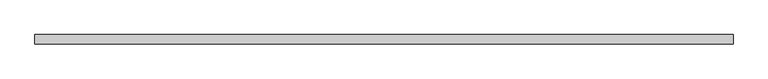
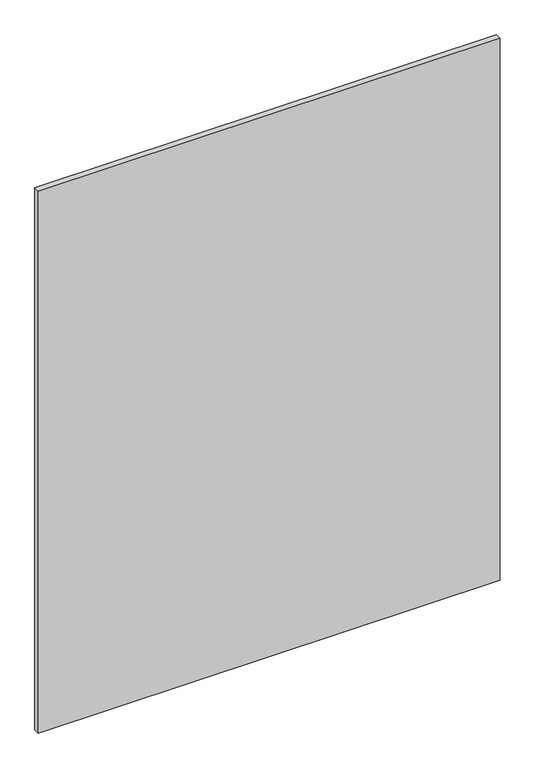
"""IFC4 building model written with IfcOpenShell, lengths in millimetres: plate geometry."""

from ifc_helpers import new_model, si_unit, origin, origin_with_axes, place, context, project, spatial, polyline, outline, extrude, source, transform, mapped, element, save


def plate_977dbb49(model_context):
    return source(origin(), model_context, "Body", "SweptSolid", [
        extrude(outline(polyline([(710.008245, -9.525), (-710.008245, -9.525), (-710.008245, 9.525), (710.008245, 9.525), (710.008245, -9.525)])), origin_with_axes(), (0.0, 0.0, 1.0), 1761.3),
    ])


if __name__ == "__main__":
    model = new_model("IFC4")
    model_context = context("Model", 3, world=origin())
    ifc_project = project(units=[si_unit("LENGTHUNIT", "METRE", prefix="MILLI")], contexts=[model_context])
    site = spatial("IfcSite", under=ifc_project)
    building = spatial("IfcBuilding", under=site)
    placement = place(None, origin())
    plate_shape = plate_977dbb49(model_context)
    element("IfcPlate", 1, at=placement, inside=building, context=model_context, shape_type="MappedRepresentation", body=[
        mapped(plate_shape, transform((0.0, 0.0, 0.0), x_axis=(1.0, 0.0, 0.0), y_axis=(0.0, 1.0, 0.0), z_axis=(0.0, 0.0, 1.0))),
    ])
    save(model, "model.ifc")
